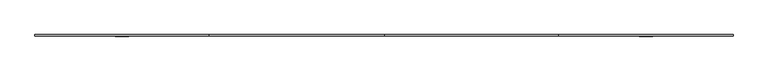
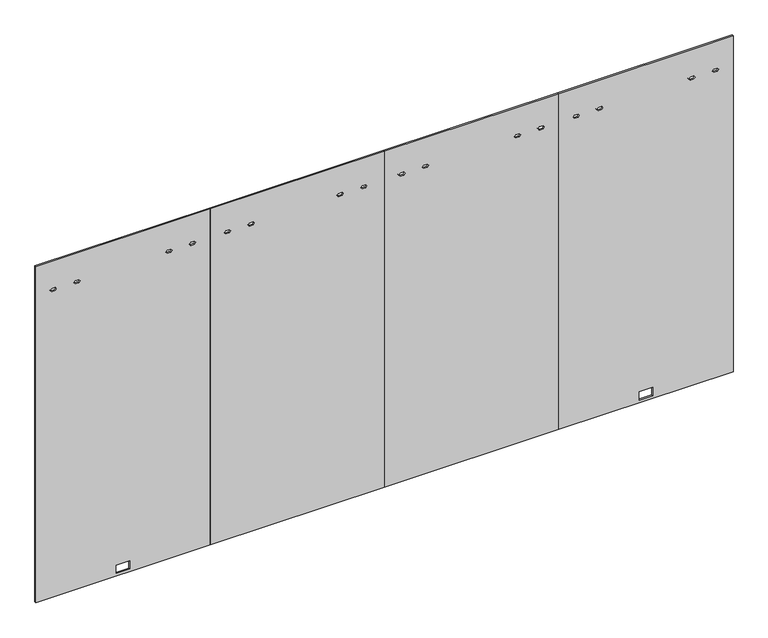
"""IFC4 building model written with IfcOpenShell, lengths in millimetres: furniture geometry."""

from ifc_helpers import new_model, si_unit, frame, origin, place, context, project, spatial, polyline, outline, extrude, source, transform, mapped, element, save


def furniture_ba7c2130(model_context):
    return source(origin(), model_context, "Body", "SweptSolid", [
        extrude(outline(polyline([(12.7, 4267.2), (2186.3010468, 4267.2), (2186.3010468, 3200.4), (12.7, 3200.4), (12.7, 4267.2)]), holes=[polyline([(83.9724, 3692.6774), (83.9724, 3774.9226), (29.6164, 3774.9226), (29.6164, 3692.6774), (83.9724, 3692.6774)]), polyline([(2001.1032968, 3288.4299829), (2011.0981968, 3296.4817829), (2011.0981968, 3318.4781829), (2001.1032968, 3326.5299829), (1991.1083968, 3318.4781829), (1991.1083968, 3296.4817829), (2001.1032968, 3288.4299829)]), polyline([(2001.1032968, 3432.849983), (2011.0981968, 3440.901783), (2011.0981968, 3462.898183), (2001.1032968, 3470.949983), (1991.1083968, 3462.898183), (1991.1083968, 3440.901783), (2001.1032968, 3432.849983)]), polyline([(2001.1032968, 3996.650017), (2011.0981968, 4004.701817), (2011.0981968, 4026.698217), (2001.1032968, 4034.750017), (1991.1083968, 4026.698217), (1991.1083968, 4004.701817), (2001.1032968, 3996.650017)]), polyline([(2001.1032968, 4141.0700171), (2011.0981968, 4149.1218171), (2011.0981968, 4171.1182171), (2001.1032968, 4179.1700171), (1991.1083968, 4171.1182171), (1991.1083968, 4149.1218171), (2001.1032968, 4141.0700171)])]), frame((0.0, -4.7752, 0.0), z_axis=(0.0, 1.0, 0.0), x_axis=(0.0, 0.0, 1.0)), (0.0, 0.0, 1.0), 9.525),
        extrude(outline(polyline([(12.7, 2133.6), (2186.3010468, 2133.6), (2186.3010468, 1066.8), (12.7, 1066.8), (12.7, 2133.6)]), holes=[polyline([(2001.1032968, 1154.8299829), (2011.0981968, 1162.8817829), (2011.0981968, 1184.8781829), (2001.1032968, 1192.9299829), (1991.1083968, 1184.8781829), (1991.1083968, 1162.8817829), (2001.1032968, 1154.8299829)]), polyline([(2001.1032968, 1299.249983), (2011.0981968, 1307.301783), (2011.0981968, 1329.298183), (2001.1032968, 1337.349983), (1991.1083968, 1329.298183), (1991.1083968, 1307.301783), (2001.1032968, 1299.249983)]), polyline([(2001.1032968, 1844.000017), (2011.0981968, 1852.051817), (2011.0981968, 1874.048217), (2001.1032968, 1882.100017), (1991.1083968, 1874.048217), (1991.1083968, 1852.051817), (2001.1032968, 1844.000017)]), polyline([(2001.1032968, 1988.4200171), (2011.0981968, 1996.4718171), (2011.0981968, 2018.4682171), (2001.1032968, 2026.5200171), (1991.1083968, 2018.4682171), (1991.1083968, 1996.4718171), (2001.1032968, 1988.4200171)])]), frame((0.0, -4.7752, 0.0), z_axis=(0.0, 1.0, 0.0), x_axis=(0.0, 0.0, 1.0)), (0.0, 0.0, 1.0), 9.525),
        extrude(outline(polyline([(12.7, 2133.6), (12.7, 3200.4), (2186.3010468, 3200.4), (2186.3010468, 2133.6), (12.7, 2133.6)]), holes=[polyline([(2001.1032968, 2221.6299829), (2011.0981968, 2229.6817829), (2011.0981968, 2251.6781829), (2001.1032968, 2259.7299829), (1991.1083968, 2251.6781829), (1991.1083968, 2229.6817829), (2001.1032968, 2221.6299829)]), polyline([(2001.1032968, 2366.049983), (2011.0981968, 2374.101783), (2011.0981968, 2396.098183), (2001.1032968, 2404.149983), (1991.1083968, 2396.098183), (1991.1083968, 2374.101783), (2001.1032968, 2366.049983)]), polyline([(2001.1032968, 2929.850017), (2011.0981968, 2937.901817), (2011.0981968, 2959.898217), (2001.1032968, 2967.950017), (1991.1083968, 2959.898217), (1991.1083968, 2937.901817), (2001.1032968, 2929.850017)]), polyline([(2001.1032968, 3074.2700171), (2011.0981968, 3082.3218171), (2011.0981968, 3104.3182171), (2001.1032968, 3112.3700171), (1991.1083968, 3104.3182171), (1991.1083968, 3082.3218171), (2001.1032968, 3074.2700171)])]), frame((0.0, -4.7752, 0.0), z_axis=(0.0, 1.0, 0.0), x_axis=(0.0, 0.0, 1.0)), (0.0, 0.0, 1.0), 9.525),
        extrude(outline(polyline([(12.7, 0.0), (12.7, 1066.8), (2186.3010468, 1066.8), (2186.3010468, 0.0), (12.7, 0.0)]), holes=[polyline([(29.6164, 492.2774), (83.9724, 492.2774), (83.9724, 574.5226), (29.6164, 574.5226), (29.6164, 492.2774)]), polyline([(2001.1032968, 88.0299829), (2011.0981968, 96.0817829), (2011.0981968, 118.0781829), (2001.1032968, 126.1299829), (1991.1083968, 118.0781829), (1991.1083968, 96.0817829), (2001.1032968, 88.0299829)]), polyline([(2001.1032968, 232.449983), (2011.0981968, 240.501783), (2011.0981968, 262.498183), (2001.1032968, 270.549983), (1991.1083968, 262.498183), (1991.1083968, 240.501783), (2001.1032968, 232.449983)]), polyline([(2001.1032968, 796.250017), (2011.0981968, 804.301817), (2011.0981968, 826.298217), (2001.1032968, 834.350017), (1991.1083968, 826.298217), (1991.1083968, 804.301817), (2001.1032968, 796.250017)]), polyline([(2001.1032968, 940.6700171), (2011.0981968, 948.7218171), (2011.0981968, 970.7182171), (2001.1032968, 978.7700171), (1991.1083968, 970.7182171), (1991.1083968, 948.7218171), (2001.1032968, 940.6700171)])]), frame((0.0, -4.7752, 0.0), z_axis=(0.0, 1.0, 0.0), x_axis=(0.0, 0.0, 1.0)), (0.0, 0.0, 1.0), 9.525),
    ])


if __name__ == "__main__":
    model = new_model("IFC4")
    model_context = context("Model", 3, world=origin())
    ifc_project = project(units=[si_unit("LENGTHUNIT", "METRE", prefix="MILLI")], contexts=[model_context])
    site = spatial("IfcSite", under=ifc_project)
    building = spatial("IfcBuilding", under=site)
    placement = place(None, origin())
    furniture_shape = furniture_ba7c2130(model_context)
    element("IfcFurniture", 1, at=placement, inside=building, context=model_context, shape_type="MappedRepresentation", body=[
        mapped(furniture_shape, transform((0.0, 0.0, 0.0), x_axis=(1.0, 0.0, 0.0), y_axis=(0.0, 1.0, 0.0), z_axis=(0.0, 0.0, 1.0))),
    ])
    save(model, "model.ifc")
